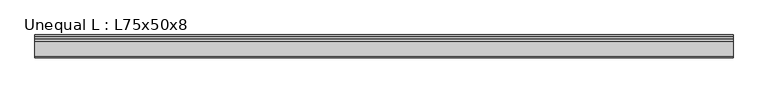
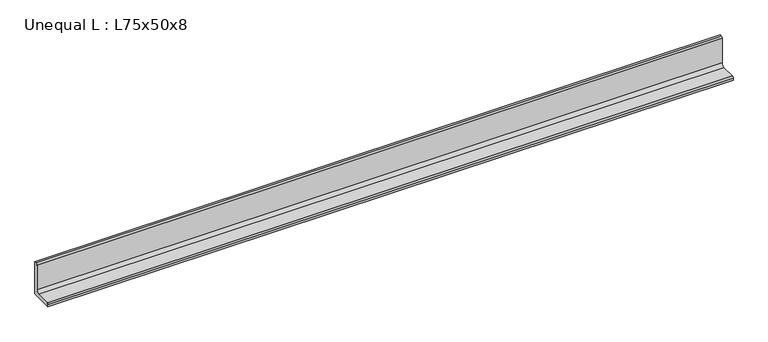
"""IFC4 building model written with IfcOpenShell, lengths in millimetres: beam geometry, Unequal L : L75x50x8."""

from ifc_helpers import new_model, si_unit, point, frame, frame_2d, origin, place, context, project, spatial, polyline, circle_curve, trimmed, segment, composite_curve, outline, extrude, source, transform, mapped, element, save


def unequal_l_l75x50x8_60d8fc69(model_context):
    return source(origin(), model_context, "Body", "SweptSolid", [
        extrude(outline(composite_curve([segment(polyline([(12.9, -25.2), (-37.1, -25.2), (-37.1, -20.7)]), True, "CONTINUOUS"), segment(trimmed(circle_curve(frame_2d((-33.6, -20.7)), 3.5), [point((-37.1, -20.7))], [point((-33.6, -17.2))], False, "CARTESIAN"), True, "CONTINUOUS"), segment(polyline([(-33.6, -17.2), (-2.1, -17.2)]), True, "CONTINUOUS"), segment(trimmed(circle_curve(frame_2d((-2.1, -10.2)), 7.0), [point((-2.1, -17.2))], [point((4.9, -10.2))], True, "CARTESIAN"), True, "CONTINUOUS"), segment(polyline([(4.9, -10.2), (4.9, 46.3)]), True, "CONTINUOUS"), segment(trimmed(circle_curve(frame_2d((8.4, 46.3)), 3.5), [point((4.9, 46.3))], [point((8.4, 49.8))], False, "CARTESIAN"), True, "CONTINUOUS"), segment(polyline([(8.4, 49.8), (12.9, 49.8), (12.9, -25.2)]), True, "CONTINUOUS")], self_intersect=False)), frame((-752.5990489, 0.0, 0.0), z_axis=(1.0, 0.0, 0.0), x_axis=(0.0, 1.0, 0.0)), (0.0, 0.0, 1.0), 1512.9999998),
    ])


if __name__ == "__main__":
    model = new_model("IFC4")
    model_context = context("Model", 3, world=origin())
    ifc_project = project(units=[si_unit("LENGTHUNIT", "METRE", prefix="MILLI")], contexts=[model_context])
    site = spatial("IfcSite", under=ifc_project)
    building = spatial("IfcBuilding", under=site)
    placement = place(None, origin())
    unequal_l_l75x50x8_shape = unequal_l_l75x50x8_60d8fc69(model_context)
    element("IfcBeam", 1, ObjectType="Unequal L : L75x50x8", at=placement, inside=building, context=model_context, shape_type="MappedRepresentation", body=[
        mapped(unequal_l_l75x50x8_shape, transform((0.0, 0.0, 0.0), x_axis=(1.0, 0.0, 0.0), y_axis=(0.0, 1.0, 0.0), z_axis=(0.0, 0.0, 1.0))),
    ])
    save(model, "model.ifc")
